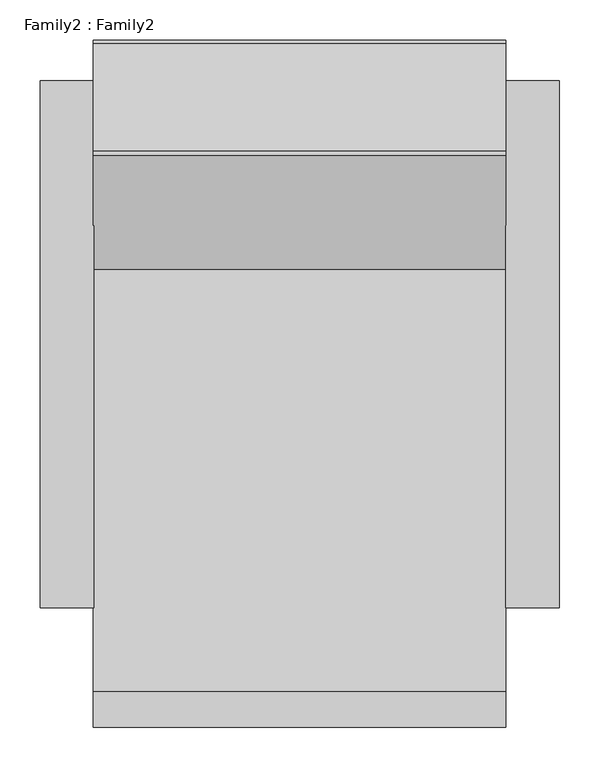
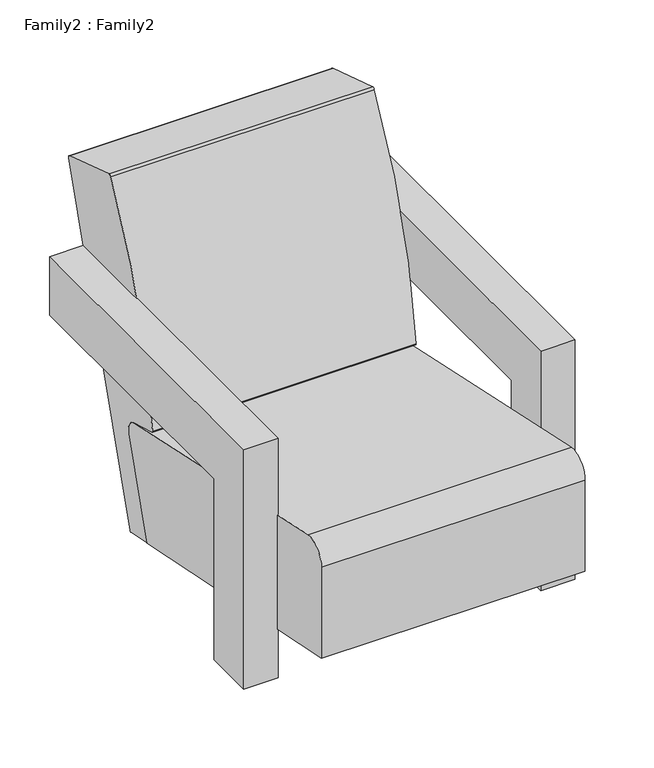
"""IFC4 building model written with IfcOpenShell, lengths in millimetres: plate geometry, Family2 : Family2."""

from ifc_helpers import new_model, si_unit, point, frame, frame_2d, origin, place, context, project, spatial, polyline, circle_curve, trimmed, segment, composite_curve, outline, extrude, source, transform, mapped, element, save


def family2_family2_cc7ed448(model_context):
    return source(origin(), model_context, "Body", "SweptSolid", [
        extrude(outline(composite_curve([segment(trimmed(circle_curve(frame_2d((-490.0, 316.2125)), 40.0), [point((-530.0, 316.2125))], [point((-484.9919297, 355.897752))], False, "CARTESIAN"), True, "CONTINUOUS"), segment(trimmed(circle_curve(frame_2d((-916.0987439, -3060.3047823)), 3443.2967983), [point((-484.9919297, 355.897752))], [point((98.7261505, 230.04828))], False, "CARTESIAN"), True, "CONTINUOUS"), segment(trimmed(circle_curve(frame_2d((91.0174991, 206.2664236)), 25.0), [point((98.7261505, 230.04828))], [point((114.7993554, 198.5577722))], False, "CARTESIAN"), True, "CONTINUOUS"), segment(polyline([(114.7993554, 198.5577722), (54.1861181, 11.5606926), (-530.0, 130.1522428), (-530.0, 316.2125)]), True, "CONTINUOUS")], self_intersect=False)), frame((-255.0, 0.0, 0.0), z_axis=(1.0, 0.0, 0.0), x_axis=(0.0, 1.0, 0.0)), (0.0, 0.0, 1.0), 510.0),
        extrude(outline(composite_curve([segment(trimmed(circle_curve(frame_2d((109.1484902, 3.472842)), 3.0), [point((112.002313, 2.5478038))], [point((108.5516924, 0.5328025))], False, "CARTESIAN"), True, "CONTINUOUS"), segment(polyline([(108.5516924, 0.5328025), (55.1748035, 11.3677631), (115.7506297, 198.2494261)]), True, "CONTINUOUS"), segment(trimmed(circle_curve(frame_2d((91.0174991, 206.2664236)), 26.0), [point((115.7506297, 198.2494261))], [point((99.0344966, 230.9995542))], True, "CARTESIAN"), True, "CONTINUOUS"), segment(polyline([(99.0344966, 230.9995542), (38.502442, 248.0835035)]), True, "CONTINUOUS"), segment(trimmed(circle_curve(frame_2d((39.3173, 250.9707178)), 3.0), [point((38.502442, 248.0835035))], [point((36.3317301, 251.2646102))], False, "CARTESIAN"), True, "CONTINUOUS"), segment(trimmed(circle_curve(frame_2d((1108.3860869, 145.7341311)), 1077.2359194), [point((36.3317301, 251.2646102))], [point((176.7329722, 686.5295636))], False, "CARTESIAN"), True, "CONTINUOUS"), segment(trimmed(circle_curve(frame_2d((181.0572483, 684.0194568)), 5.0), [point((176.7329722, 686.5295636))], [point((182.5989786, 688.7758281))], False, "CARTESIAN"), True, "CONTINUOUS"), segment(polyline([(182.5989786, 688.7758281), (315.2436287, 645.7803884)]), True, "CONTINUOUS"), segment(trimmed(circle_curve(frame_2d((313.7018984, 641.0240171)), 5.0), [point((315.2436287, 645.7803884))], [point((318.4582697, 639.4822868))], False, "CARTESIAN"), True, "CONTINUOUS"), segment(polyline([(318.4582697, 639.4822868), (112.002313, 2.5478038)]), True, "CONTINUOUS")], self_intersect=False)), frame((-255.0, 0.0, 0.0), z_axis=(1.0, 0.0, 0.0), x_axis=(0.0, 1.0, 0.0)), (0.0, 0.0, 1.0), 510.0),
        extrude(outline(polyline([(-381.8626273, 490.0), (268.7911538, 490.0), (268.7911538, 370.0), (-282.4571996, 370.0), (-282.4571996, 0.0), (-381.8626273, 0.0), (-381.8626273, 490.0)])), frame((255.0, 0.0, 0.0), z_axis=(1.0, 0.0, 0.0), x_axis=(0.0, 1.0, 0.0)), (0.0, 0.0, 1.0), 66.0),
        extrude(outline(polyline([(-381.8626273, 490.0), (268.7911538, 490.0), (268.7911538, 370.0), (-282.4571996, 370.0), (-282.4571996, 0.0), (-381.8626273, 0.0), (-381.8626273, 490.0)])), frame((-320.0, 0.0, 0.0), z_axis=(1.0, 0.0, 0.0), x_axis=(0.0, 1.0, 0.0)), (0.0, 0.0, 1.0), 66.0),
    ])


if __name__ == "__main__":
    model = new_model("IFC4")
    model_context = context("Model", 3, world=origin())
    ifc_project = project(units=[si_unit("LENGTHUNIT", "METRE", prefix="MILLI")], contexts=[model_context])
    site = spatial("IfcSite", under=ifc_project)
    building = spatial("IfcBuilding", under=site)
    placement = place(None, origin())
    family2_family2_shape = family2_family2_cc7ed448(model_context)
    element("IfcPlate", 1, ObjectType="Family2 : Family2", at=placement, inside=building, context=model_context, shape_type="MappedRepresentation", body=[
        mapped(family2_family2_shape, transform((0.0, 0.0, 0.0), x_axis=(1.0, 0.0, 0.0), y_axis=(0.0, 1.0, 0.0), z_axis=(0.0, 0.0, 1.0))),
    ])
    save(model, "model.ifc")
